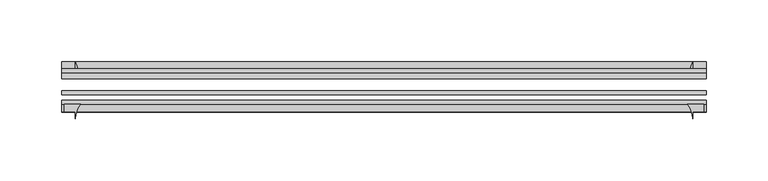
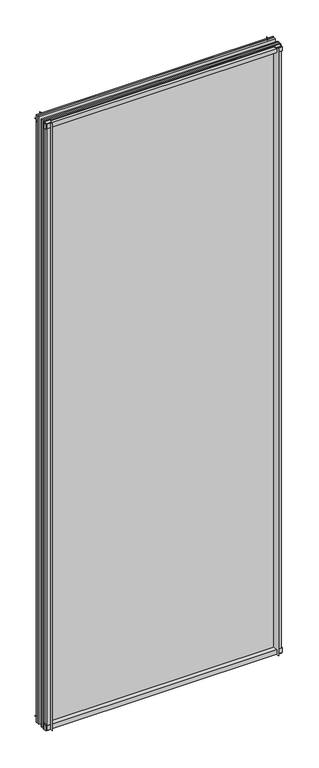
"""IFC4 building model written with IfcOpenShell, lengths in millimetres: plate geometry."""

from ifc_helpers import new_model, si_unit, point, frame, frame_2d, origin, place, context, project, spatial, polyline, circle_curve, trimmed, segment, composite_curve, outline, extrude, source, transform, mapped, element, save


def plate_b35f5ac1(model_context):
    return source(origin(), model_context, "Body", "SweptSolid", [
        extrude(outline(composite_curve([segment(polyline([(-42.891075, -11.1125), (-42.891075, 3.8539528)]), True, "CONTINUOUS"), segment(trimmed(circle_curve(frame_2d((-26.637892, 29.5913262)), 30.4397495), [point((-42.891075, 3.8539528))], [point((-33.7745413, 0.0))], True, "CARTESIAN"), True, "CONTINUOUS"), segment(polyline([(-33.7745413, 0.0), (-39.690675, 0.0), (-39.690675, -11.1125), (-42.891075, -11.1125)]), True, "CONTINUOUS")], self_intersect=False)), frame((-261.9375, 0.0, 0.0), z_axis=(1.0, 0.0, 0.0), x_axis=(0.0, 1.0, 0.0)), (0.0, 0.0, 1.0), 523.875),
        extrude(outline(composite_curve([segment(trimmed(circle_curve(frame_2d((-80.4922797, 17.8701603)), 18.6769817), [point((-74.641075, 0.1333891))], [point((-68.291075, 3.72943))], True, "CARTESIAN"), True, "CONTINUOUS"), segment(polyline([(-68.291075, 3.72943), (-68.291075, -10.3251), (-74.641075, -10.3251), (-74.641075, 0.1333891)]), True, "CONTINUOUS")], self_intersect=False)), frame((-261.9375, 0.0, 0.0), z_axis=(1.0, 0.0, 0.0), x_axis=(0.0, 1.0, 0.0)), (0.0, 0.0, 1.0), 523.875),
        extrude(outline(composite_curve([segment(polyline([(-42.891075, 1396.3083472), (-42.891075, 1411.2875), (-39.690675, 1411.2875), (-39.690675, 1400.175), (-33.721675, 1400.175)]), True, "CONTINUOUS"), segment(trimmed(circle_curve(frame_2d((-26.637892, 1370.5709738)), 30.4397495), [point((-33.721675, 1400.175))], [point((-42.891075, 1396.3083472))], True, "CARTESIAN"), True, "CONTINUOUS")], self_intersect=False)), frame((-261.9375, 0.0, 0.0), z_axis=(1.0, 0.0, 0.0), x_axis=(0.0, 1.0, 0.0)), (0.0, 0.0, 1.0), 523.875),
        extrude(outline(composite_curve([segment(polyline([(-68.291075, 1408.9126), (-68.291075, 1395.63912)]), True, "CONTINUOUS"), segment(trimmed(circle_curve(frame_2d((-80.4922797, 1381.4983897)), 18.6769817), [point((-68.291075, 1395.63912))], [point((-74.641075, 1399.2351609))], True, "CARTESIAN"), True, "CONTINUOUS"), segment(polyline([(-74.641075, 1399.2351609), (-74.641075, 1408.9126), (-68.291075, 1408.9126)]), True, "CONTINUOUS")], self_intersect=False)), frame((-261.9375, 0.0, 0.0), z_axis=(1.0, 0.0, 0.0), x_axis=(0.0, 1.0, 0.0)), (0.0, 0.0, 1.0), 523.875),
        extrude(outline(composite_curve([segment(polyline([(246.28912, -68.291075), (259.5626, -68.291075), (259.5626, -74.641075), (250.825, -74.641075), (250.825, -80.3744844)]), True, "CONTINUOUS"), segment(trimmed(circle_curve(frame_2d((232.1483897, -80.4922797)), 18.6769817), [point((250.825, -80.3744844))], [point((246.28912, -68.291075))], True, "CARTESIAN"), True, "CONTINUOUS")], self_intersect=False)), frame((0.0, 0.0, -11.1125), z_axis=(0.0, 0.0, 1.0), x_axis=(1.0, 0.0, 0.0)), (0.0, 0.0, 1.0), 1422.4),
        extrude(outline(composite_curve([segment(trimmed(circle_curve(frame_2d((221.2209738, -26.637892)), 30.4397495), [point((246.9583472, -42.891075))], [point((250.825, -33.721675))], True, "CARTESIAN"), True, "CONTINUOUS"), segment(polyline([(250.825, -33.721675), (250.825, -39.690675), (261.9375, -39.690675), (261.9375, -42.891075), (246.9583472, -42.891075)]), True, "CONTINUOUS")], self_intersect=False)), frame((0.0, 0.0, -11.1125), z_axis=(0.0, 0.0, 1.0), x_axis=(1.0, 0.0, 0.0)), (0.0, 0.0, 1.0), 1422.4),
        extrude(outline(composite_curve([segment(trimmed(circle_curve(frame_2d((-232.1483897, -80.4922797)), 18.6769817), [point((-246.28912, -68.291075))], [point((-250.825, -80.3744844))], True, "CARTESIAN"), True, "CONTINUOUS"), segment(polyline([(-250.825, -80.3744844), (-250.825, -74.641075), (-259.5626, -74.641075), (-259.5626, -68.291075), (-246.28912, -68.291075)]), True, "CONTINUOUS")], self_intersect=False)), frame((0.0, 0.0, -11.1125), z_axis=(0.0, 0.0, 1.0), x_axis=(1.0, 0.0, 0.0)), (0.0, 0.0, 1.0), 1422.4),
        extrude(outline(composite_curve([segment(polyline([(-246.9583472, -42.891075), (-261.9375, -42.891075), (-261.9375, -39.690675), (-250.825, -39.690675), (-250.825, -33.721675)]), True, "CONTINUOUS"), segment(trimmed(circle_curve(frame_2d((-221.2209738, -26.637892)), 30.4397495), [point((-250.825, -33.721675))], [point((-246.9583472, -42.891075))], True, "CARTESIAN"), True, "CONTINUOUS")], self_intersect=False)), frame((0.0, 0.0, -11.1125), z_axis=(0.0, 0.0, 1.0), x_axis=(1.0, 0.0, 0.0)), (0.0, 0.0, 1.0), 1422.4),
        extrude(outline(polyline([(-261.9375, -42.891075), (261.9375, -42.891075), (261.9375, -47.653575), (-261.9375, -47.653575), (-261.9375, -42.891075)])), frame((0.0, 0.0, -11.1125), z_axis=(0.0, 0.0, 1.0), x_axis=(1.0, 0.0, 0.0)), (0.0, 0.0, 1.0), 1422.4),
        extrude(outline(polyline([(261.9375, -57.369075), (261.9375, -60.544075), (-261.9375, -60.544075), (-261.9375, -57.369075), (261.9375, -57.369075)])), frame((0.0, 0.0, -11.1125), z_axis=(0.0, 0.0, 1.0), x_axis=(1.0, 0.0, 0.0)), (0.0, 0.0, 1.0), 1422.4),
        extrude(outline(polyline([(-261.9375, -65.116075), (261.9375, -65.116075), (261.9375, -68.291075), (-261.9375, -68.291075), (-261.9375, -65.116075)])), frame((0.0, 0.0, -11.1125), z_axis=(0.0, 0.0, 1.0), x_axis=(1.0, 0.0, 0.0)), (0.0, 0.0, 1.0), 1422.4),
    ])


if __name__ == "__main__":
    model = new_model("IFC4")
    model_context = context("Model", 3, world=origin())
    ifc_project = project(units=[si_unit("LENGTHUNIT", "METRE", prefix="MILLI")], contexts=[model_context])
    site = spatial("IfcSite", under=ifc_project)
    building = spatial("IfcBuilding", under=site)
    placement = place(None, origin())
    plate_shape = plate_b35f5ac1(model_context)
    element("IfcPlate", 1, at=placement, inside=building, context=model_context, shape_type="MappedRepresentation", body=[
        mapped(plate_shape, transform((0.0, 0.0, 0.0), x_axis=(1.0, 0.0, 0.0), y_axis=(0.0, 1.0, 0.0), z_axis=(0.0, 0.0, 1.0))),
    ])
    save(model, "model.ifc")
